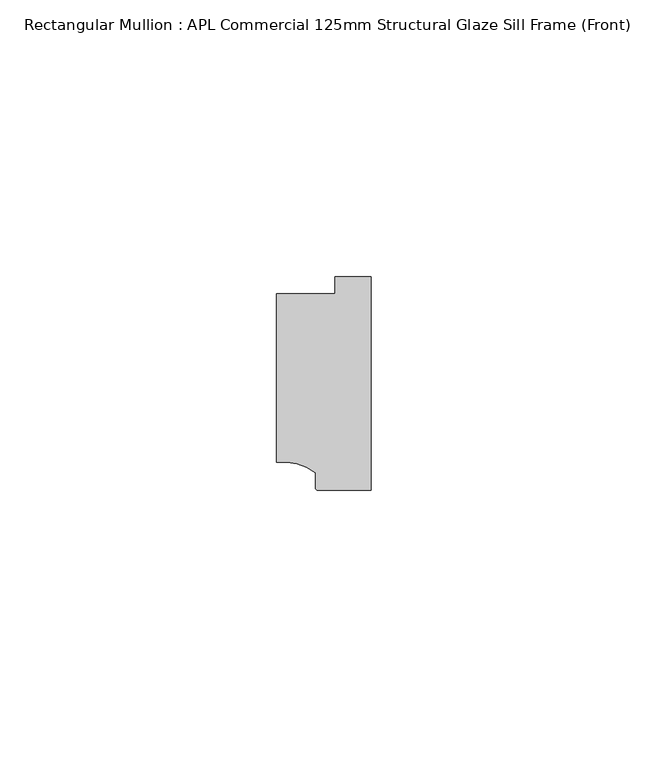
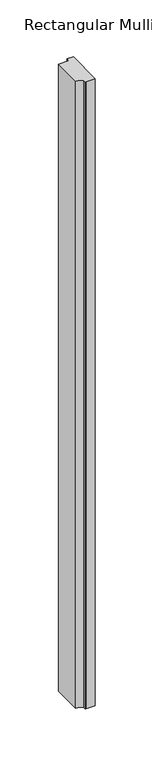
"""IFC4 building model written with IfcOpenShell, lengths in millimetres: member geometry, Rectangular Mullion : APL Commercial 125mm Structural Glaze Sill Frame (Front)."""

from ifc_helpers import new_model, si_unit, point, frame, frame_2d, origin, place, context, project, spatial, polyline, circle_curve, trimmed, segment, composite_curve, outline, extrude, source, transform, mapped, element, save


def rectangular_mullion_apl_commercial_125mm_structural_glaze_0710f0f1(model_context):
    return source(origin(), model_context, "Body", "SweptSolid", [
        extrude(outline(composite_curve([segment(polyline([(-16.999942, -15.3793144), (-16.999942, 15.0004332), (-6.5000029, 15.0004332), (-6.5000029, 18.0281616), (0.0, 18.0281616), (0.0, -20.49978), (-9.5000029, -20.49978)]), True, "CONTINUOUS"), segment(trimmed(circle_curve(frame_2d((-9.5000029, -19.99978)), 0.5), [point((-9.5000029, -20.49978))], [point((-10.0, -19.9980675))], False, "CARTESIAN"), True, "CONTINUOUS"), segment(polyline([(-10.0, -19.9980675), (-10.0, -17.3120901)]), True, "CONTINUOUS"), segment(trimmed(circle_curve(frame_2d((-16.1098048, -25.7977481)), 10.4563907), [point((-10.0, -17.3120901))], [point((-16.999942, -15.3793144))], True, "CARTESIAN"), True, "CONTINUOUS")], self_intersect=False)), frame((0.0, 0.0, -673.1972908), z_axis=(0.0, 0.0, 1.0), x_axis=(1.0, 0.0, 0.0)), (0.0, 0.0, 1.0), 673.1972908),
    ])


if __name__ == "__main__":
    model = new_model("IFC4")
    model_context = context("Model", 3, world=origin())
    ifc_project = project(units=[si_unit("LENGTHUNIT", "METRE", prefix="MILLI")], contexts=[model_context])
    site = spatial("IfcSite", under=ifc_project)
    building = spatial("IfcBuilding", under=site)
    placement = place(None, origin())
    rectangular_mullion_apl_commercial_125mm_structural_glaze_shape = rectangular_mullion_apl_commercial_125mm_structural_glaze_0710f0f1(model_context)
    element("IfcMember", 1, ObjectType="Rectangular Mullion : APL Commercial 125mm Structural Glaze Sill Frame (Front)", at=placement, inside=building, context=model_context, shape_type="MappedRepresentation", body=[
        mapped(rectangular_mullion_apl_commercial_125mm_structural_glaze_shape, transform((0.0, 0.0, 0.0), x_axis=(1.0, 0.0, 0.0), y_axis=(0.0, 1.0, 0.0), z_axis=(0.0, 0.0, 1.0))),
    ])
    save(model, "model.ifc")
